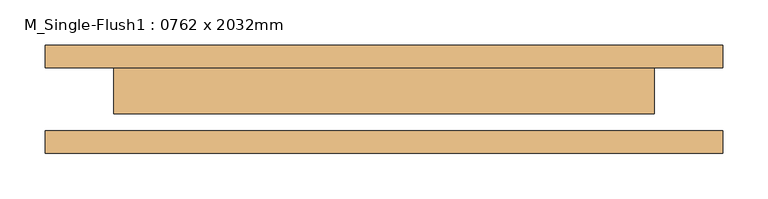
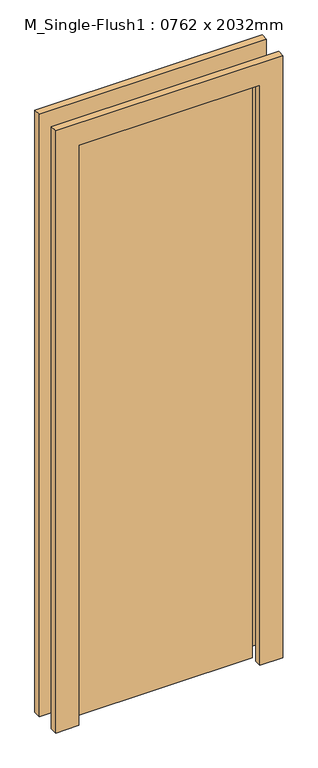
"""IFC4 building model written with IfcOpenShell, lengths in millimetres: door geometry, M_Single-Flush1 : 0762 x 2032mm."""

from ifc_helpers import new_model, si_unit, frame, origin, origin_with_axes, place, context, project, spatial, polyline, outline, extrude, source, transform, mapped, element, save


def m_single_flush1_0762_x_2032mm_5c3a3b66(model_context):
    return source(origin(), model_context, "Body", "SweptSolid", [
        extrude(outline(polyline([(2108.0, -376.0), (0.0, -376.0), (0.0, -300.0), (2032.0, -300.0), (2032.0, 300.0), (0.0, 300.0), (0.0, 376.0), (2108.0, 376.0), (2108.0, -376.0)])), frame((0.0, 35.0, 0.0), z_axis=(0.0, 1.0, 0.0), x_axis=(0.0, 0.0, 1.0)), (0.0, 0.0, 1.0), 25.0),
        extrude(outline(polyline([(2108.0, 376.0), (2108.0, -376.0), (0.0, -376.0), (0.0, -300.0), (2032.0, -300.0), (2032.0, 300.0), (0.0, 300.0), (0.0, 376.0), (2108.0, 376.0)])), frame((0.0, -60.0, 0.0), z_axis=(0.0, 1.0, 0.0), x_axis=(0.0, 0.0, 1.0)), (0.0, 0.0, 1.0), 25.0),
        extrude(outline(polyline([(300.0, -16.0), (-300.0, -16.0), (-300.0, 35.0), (300.0, 35.0), (300.0, -16.0)])), origin_with_axes(), (0.0, 0.0, 1.0), 2032.0),
    ])


if __name__ == "__main__":
    model = new_model("IFC4")
    model_context = context("Model", 3, world=origin())
    ifc_project = project(units=[si_unit("LENGTHUNIT", "METRE", prefix="MILLI")], contexts=[model_context])
    site = spatial("IfcSite", under=ifc_project)
    building = spatial("IfcBuilding", under=site)
    placement = place(None, origin())
    m_single_flush1_0762_x_2032mm_shape = m_single_flush1_0762_x_2032mm_5c3a3b66(model_context)
    element("IfcDoor", 1, ObjectType="M_Single-Flush1 : 0762 x 2032mm", at=placement, inside=building, context=model_context, shape_type="MappedRepresentation", body=[
        mapped(m_single_flush1_0762_x_2032mm_shape, transform((0.0, 0.0, 0.0), x_axis=(1.0, 0.0, 0.0), y_axis=(0.0, 1.0, 0.0), z_axis=(0.0, 0.0, 1.0))),
    ])
    save(model, "model.ifc")
